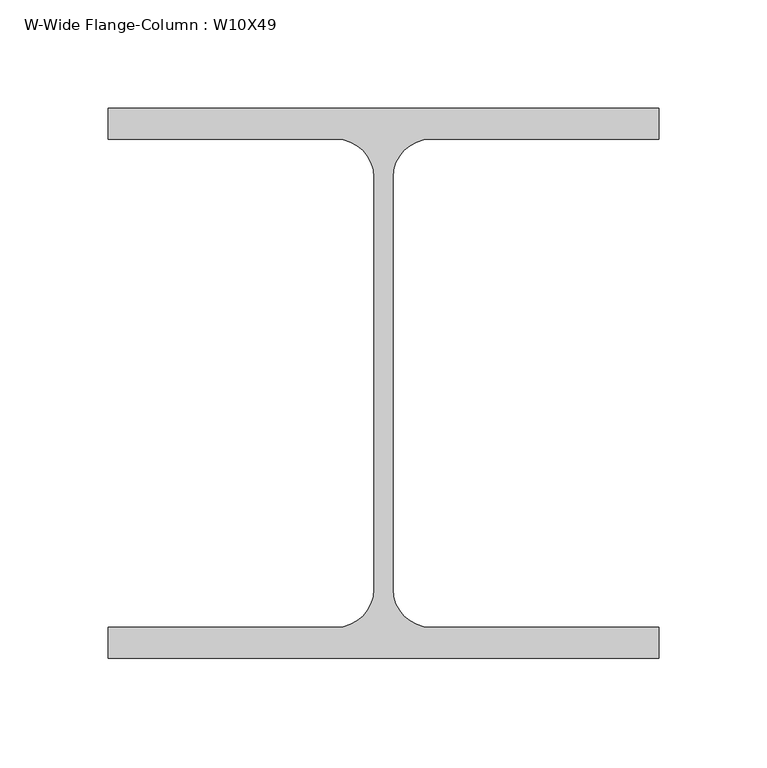
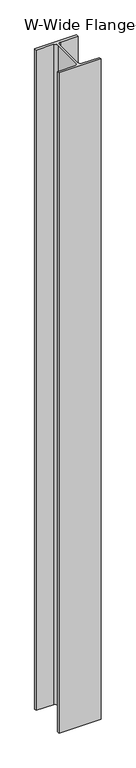
"""IFC4 building model written with IfcOpenShell, lengths in millimetres: column geometry, W-Wide Flange-Column : W10X49."""

from ifc_helpers import new_model, si_unit, point, frame, frame_2d, origin, place, context, project, spatial, polyline, circle_curve, trimmed, segment, composite_curve, outline, extrude, source, transform, mapped, element, save


def w_wide_flange_column_w10x49_d6db203c(model_context):
    return source(origin(), model_context, "Body", "SweptSolid", [
        extrude(outline(composite_curve([segment(polyline([(127.0, 126.7519531), (127.0, 112.5636719), (21.8777344, 112.5636719)]), True, "CONTINUOUS"), segment(trimmed(circle_curve(frame_2d((21.8777344, 95.0019531)), 17.5617188), [point((21.8777344, 112.5636719))], [point((4.3160156, 95.0019531))], True, "CARTESIAN"), True, "CONTINUOUS"), segment(polyline([(4.3160156, 95.0019531), (4.3160156, -95.0019531)]), True, "CONTINUOUS"), segment(trimmed(circle_curve(frame_2d((21.8777344, -95.0019531)), 17.5617187), [point((4.3160156, -95.0019531))], [point((21.8777344, -112.5636719))], True, "CARTESIAN"), True, "CONTINUOUS"), segment(polyline([(21.8777344, -112.5636719), (127.0, -112.5636719), (127.0, -126.7519531), (-127.0, -126.7519531), (-127.0, -112.5636719), (-21.8777344, -112.5636719)]), True, "CONTINUOUS"), segment(trimmed(circle_curve(frame_2d((-21.8777344, -95.0019531)), 17.5617187), [point((-21.8777344, -112.5636719))], [point((-4.3160156, -95.0019531))], True, "CARTESIAN"), True, "CONTINUOUS"), segment(polyline([(-4.3160156, -95.0019531), (-4.3160156, 95.0019531)]), True, "CONTINUOUS"), segment(trimmed(circle_curve(frame_2d((-21.8777344, 95.0019531)), 17.5617188), [point((-4.3160156, 95.0019531))], [point((-21.8777344, 112.5636719))], True, "CARTESIAN"), True, "CONTINUOUS"), segment(polyline([(-21.8777344, 112.5636719), (-127.0, 112.5636719), (-127.0, 126.7519531), (127.0, 126.7519531)]), True, "CONTINUOUS")], self_intersect=False)), frame((0.0, 0.0, 17919.7), z_axis=(0.0, 0.0, 1.0), x_axis=(1.0, 0.0, 0.0)), (0.0, 0.0, 1.0), 4216.4),
    ])


if __name__ == "__main__":
    model = new_model("IFC4")
    model_context = context("Model", 3, world=origin())
    ifc_project = project(units=[si_unit("LENGTHUNIT", "METRE", prefix="MILLI")], contexts=[model_context])
    site = spatial("IfcSite", under=ifc_project)
    building = spatial("IfcBuilding", under=site)
    placement = place(None, origin())
    w_wide_flange_column_w10x49_shape = w_wide_flange_column_w10x49_d6db203c(model_context)
    element("IfcColumn", 1, ObjectType="W-Wide Flange-Column : W10X49", at=placement, inside=building, context=model_context, shape_type="MappedRepresentation", body=[
        mapped(w_wide_flange_column_w10x49_shape, transform((0.0, 0.0, 0.0), x_axis=(1.0, 0.0, 0.0), y_axis=(0.0, 1.0, 0.0), z_axis=(0.0, 0.0, 1.0))),
    ])
    save(model, "model.ifc")
